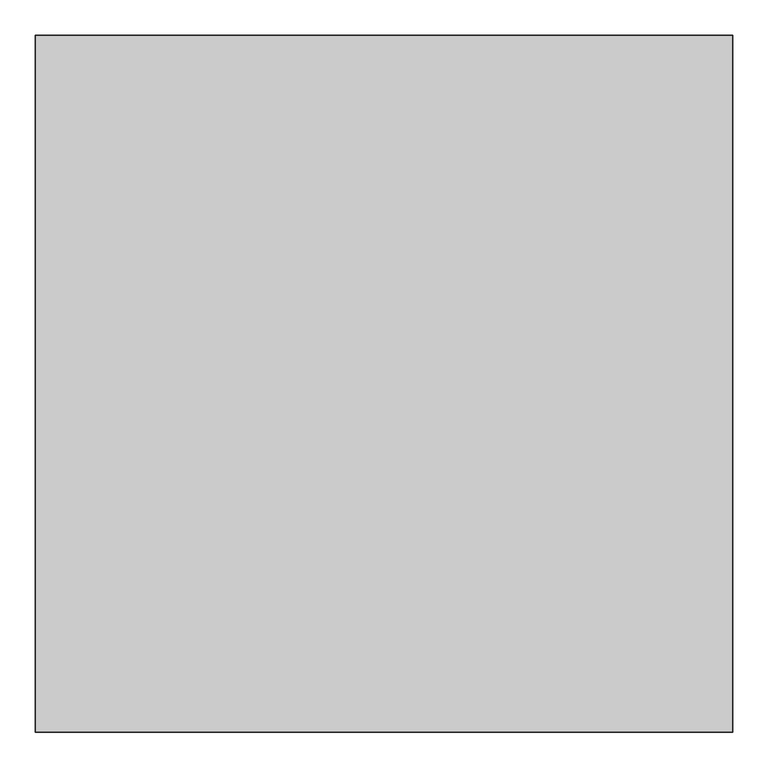
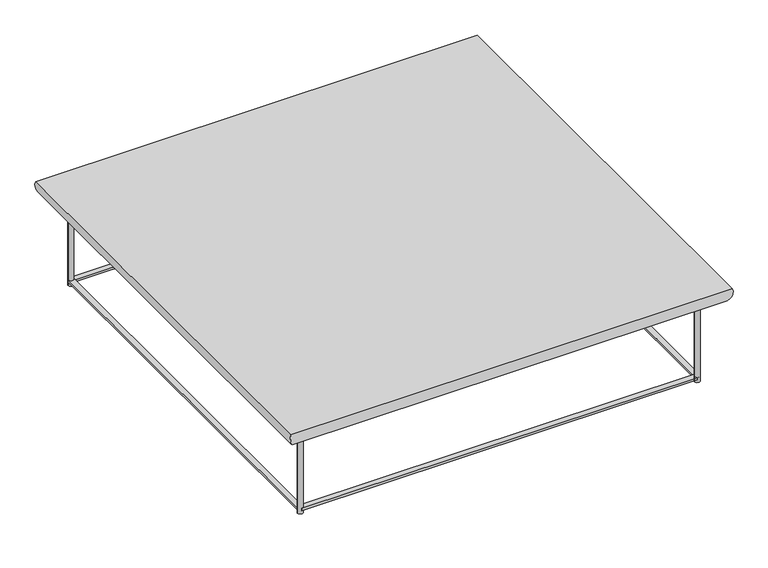
"""IFC4 building model written with IfcOpenShell, lengths in millimetres: furniture geometry."""

import ifcopenshell
import ifcopenshell.guid

model = None  # the IFC model being written
_history = None  # IfcOwnerHistory: only IFC2X3 demands one
_inside = {}  # id of a spatial element -> (the spatial element, [elements in it])
_under = {}  # id of a project, library or spatial element -> (it, [spatial elements below it])
_declared = {}  # id of a project -> (the project, [libraries it declares])
_typed = {}  # id of a type object -> (the type object, [elements of that type])
_made_of = {}  # id of a material, layer set ... -> (it, [elements and type objects made of it])


def new_model(schema):
    """Start an empty IFC model of exactly this schema.

    Asked for "IFC4X3", IfcOpenShell would pick the latest addendum, in which some entities
    have other attributes; the version numbers below select the first issue.
    IFC2X3 requires an IfcOwnerHistory on every rooted entity: one is made here for all.
    """
    global model, _history
    if schema == "IFC4X3":
        model = ifcopenshell.file(schema_version=(4, 3, 0, 0))
    else:
        model = ifcopenshell.file(schema=schema)
    _inside.clear()
    _under.clear()
    _declared.clear()
    _typed.clear()
    _made_of.clear()
    _history = None
    if model.schema == "IFC2X3":
        org = make("IfcOrganization", Name="unknown")
        user = make(
            "IfcPersonAndOrganization",
            ThePerson=make("IfcPerson", FamilyName="unknown"),
            TheOrganization=org,
        )
        app = make(
            "IfcApplication",
            ApplicationDeveloper=org,
            Version="unknown",
            ApplicationFullName="unknown",
            ApplicationIdentifier="unknown",
        )
        _history = make(
            "IfcOwnerHistory",
            OwningUser=user,
            OwningApplication=app,
            ChangeAction="ADDED",
            CreationDate=0,
        )
    return model


def make(cls, **values):
    """One entity of the class cls with the attributes given. An attribute that is None is left unset."""
    return model.create_entity(
        cls, **{name: value for name, value in values.items() if value is not None}
    )


def rooted(cls, **values):
    """An entity with a GlobalId (a new one), such as an element, a storey or a relation."""
    return make(cls, GlobalId=ifcopenshell.guid.new(), OwnerHistory=_history, **values)


def si_unit(unit_type, name, prefix=None):
    """IfcSIUnit, for example si_unit("LENGTHUNIT", "METRE", prefix="MILLI")."""
    return make("IfcSIUnit", UnitType=unit_type, Prefix=prefix, Name=name)


def assignment(units):
    """IfcUnitAssignment: the units of a project."""
    return None if units is None else make("IfcUnitAssignment", Units=units)


def point(xyz):
    """IfcCartesianPoint."""
    return None if xyz is None else make("IfcCartesianPoint", Coordinates=xyz)


def direction(xyz):
    """IfcDirection."""
    return None if xyz is None else make("IfcDirection", DirectionRatios=xyz)


def frame(location, z_axis=None, x_axis=None):
    """IfcAxis2Placement3D, a coordinate frame: its origin and axes. An axis left out is left unset."""
    return make(
        "IfcAxis2Placement3D",
        Location=point(location),
        Axis=direction(z_axis),
        RefDirection=direction(x_axis),
    )


def frame_2d(location, x_axis=None):
    """IfcAxis2Placement2D, a coordinate frame in the plane: its origin and x axis."""
    return make(
        "IfcAxis2Placement2D", Location=point(location), RefDirection=direction(x_axis)
    )


def origin():
    """The frame at (0, 0, 0) with its axes left unset."""
    return frame((0.0, 0.0, 0.0))


def origin_with_axes():
    """The frame at (0, 0, 0) with the z axis (0, 0, 1) and the x axis (1, 0, 0) written out."""
    return frame((0.0, 0.0, 0.0), z_axis=(0.0, 0.0, 1.0), x_axis=(1.0, 0.0, 0.0))


def place(relative_to, where):
    """IfcLocalPlacement: puts the frame where relative to a parent placement (None: the world)."""
    return make(
        "IfcLocalPlacement", PlacementRelTo=relative_to, RelativePlacement=where
    )


def context(
    kind, dimensions, precision=None, world=None, true_north=None, identifier=None
):
    """IfcGeometricRepresentationContext, for example the 3D "Model" context."""
    return make(
        "IfcGeometricRepresentationContext",
        ContextIdentifier=identifier,
        ContextType=kind,
        CoordinateSpaceDimension=dimensions,
        Precision=precision,
        WorldCoordinateSystem=world,
        TrueNorth=true_north,
    )


def project(units=None, contexts=None):
    """IfcProject with its units and contexts."""
    return rooted(
        "IfcProject",
        Name="project",
        RepresentationContexts=contexts,
        UnitsInContext=assignment(units),
    )


def spatial(cls, under=None, at=None, **own):
    """A site, building, storey or space (cls), placed at a placement, below another one or the project."""
    s = rooted(cls, ObjectPlacement=at, **own)
    if under is not None:
        _under.setdefault(under.id(), (under, []))[1].append(s)
    return s


def polyline(points):
    """IfcPolyline through the points."""
    return make("IfcPolyline", Points=[point(p) for p in points])


def circle_curve(where, radius):
    """IfcCircle in the frame where."""
    return make("IfcCircle", Position=where, Radius=radius)


def ellipse_curve(where, semi_axis1, semi_axis2):
    """IfcEllipse in the frame where."""
    return make(
        "IfcEllipse", Position=where, SemiAxis1=semi_axis1, SemiAxis2=semi_axis2
    )


def trimmed(basis, trim1, trim2, sense, master):
    """IfcTrimmedCurve: the piece of a basis curve between two trims."""
    return make(
        "IfcTrimmedCurve",
        BasisCurve=basis,
        Trim1=trim1,
        Trim2=trim2,
        SenseAgreement=sense,
        MasterRepresentation=master,
    )


def segment(curve, same_sense, transition):
    """IfcCompositeCurveSegment."""
    return make(
        "IfcCompositeCurveSegment",
        Transition=transition,
        SameSense=same_sense,
        ParentCurve=curve,
    )


def composite_curve(segments, self_intersect=None):
    """IfcCompositeCurve: segments joined end to end."""
    return make("IfcCompositeCurve", Segments=segments, SelfIntersect=self_intersect)


def outline(outer, holes=None, kind="AREA"):
    """IfcArbitraryClosedProfileDef: a profile drawn as a closed curve; with holes, ...WithVoids."""
    if holes is None:
        return make("IfcArbitraryClosedProfileDef", ProfileType=kind, OuterCurve=outer)
    return make(
        "IfcArbitraryProfileDefWithVoids",
        ProfileType=kind,
        OuterCurve=outer,
        InnerCurves=holes,
    )


def extrude(swept, where, along, depth):
    """IfcExtrudedAreaSolid: the profile swept, set in the frame where, extruded along a direction by depth."""
    return make(
        "IfcExtrudedAreaSolid",
        SweptArea=swept,
        Position=where,
        ExtrudedDirection=direction(along),
        Depth=depth,
    )


def shape(context_of_items, identifier, shape_type, items):
    """IfcShapeRepresentation: the items that make up one representation, for example the "Body"."""
    return make(
        "IfcShapeRepresentation",
        ContextOfItems=context_of_items,
        RepresentationIdentifier=identifier,
        RepresentationType=shape_type,
        Items=items,
    )


def source(mapping_origin, context_of_items, identifier, shape_type, items):
    """IfcRepresentationMap: a shape defined once, which mapped items show again and again."""
    return make(
        "IfcRepresentationMap",
        MappingOrigin=mapping_origin,
        MappedRepresentation=shape(context_of_items, identifier, shape_type, items),
    )


def transform(
    local_origin,
    x_axis=None,
    y_axis=None,
    z_axis=None,
    scale=None,
    scale2=None,
    scale3=None,
    uniform=True,
):
    """IfcCartesianTransformationOperator3D, or its non-uniform kind. x_axis, y_axis, z_axis: its Axis1, 2, 3."""
    if uniform:
        return make(
            "IfcCartesianTransformationOperator3D",
            Axis1=direction(x_axis),
            Axis2=direction(y_axis),
            LocalOrigin=point(local_origin),
            Scale=scale,
            Axis3=direction(z_axis),
        )
    return make(
        "IfcCartesianTransformationOperator3DnonUniform",
        Axis1=direction(x_axis),
        Axis2=direction(y_axis),
        LocalOrigin=point(local_origin),
        Scale=scale,
        Axis3=direction(z_axis),
        Scale2=scale2,
        Scale3=scale3,
    )


def mapped(mapping_source, mapping_target):
    """IfcMappedItem: shows the shape of a source again, moved by a transform."""
    return make(
        "IfcMappedItem", MappingSource=mapping_source, MappingTarget=mapping_target
    )


def made_of(thing, what):
    """Note that an element or type object is made of a material, layer set ...; save() writes the relation."""
    if what is not None:
        _made_of.setdefault(what.id(), (what, []))[1].append(thing)
    return thing


def element(
    cls,
    number,
    at=None,
    inside=None,
    cuts=None,
    type_object=None,
    material=None,
    context=None,
    identifier="Body",
    shape_type=None,
    held_by="IfcProductDefinitionShape",
    body=None,
    shapes=None,
    **own,
):
    """One element of the class cls, such as IfcWall. Its Tag is "e" and its number.

    at: its placement. inside: the storey or other place that contains it. cuts: it is an
    opening in that element (IfcRelVoidsElement). A single representation is given by context,
    identifier, shape_type and body (its items); several are given by shapes. held_by: the class
    of the entity that holds the representations. save() writes the other relations.
    """
    e = rooted(cls, Tag="e%d" % number, ObjectPlacement=at, **own)
    if body is not None:
        shapes = [shape(context, identifier, shape_type, body)]
    if shapes is not None:
        e.Representation = make(held_by, Representations=shapes)
    if inside is not None:
        _inside.setdefault(inside.id(), (inside, []))[1].append(e)
    if cuts is not None:
        rooted(
            "IfcRelVoidsElement", RelatingBuildingElement=cuts, RelatedOpeningElement=e
        )
    if type_object is not None:
        _typed.setdefault(type_object.id(), (type_object, []))[1].append(e)
    return made_of(e, material)


def aggregate(whole, parts):
    """IfcRelAggregates: a whole, such as a stair, and the parts it consists of."""
    return rooted("IfcRelAggregates", RelatingObject=whole, RelatedObjects=parts)


def save(model, path):
    """Write the relations noted so far, then the file.

    IfcRelAggregates (storeys below a building ...), IfcRelContainedInSpatialStructure (elements
    in a storey), IfcRelDefinesByType, IfcRelAssociatesMaterial and IfcRelDeclares: one each for
    every whole, place, type object, material and project.
    """
    for whole, parts in _under.values():
        aggregate(whole, parts)
    for where, things in _inside.values():
        rooted(
            "IfcRelContainedInSpatialStructure",
            RelatedElements=things,
            RelatingStructure=where,
        )
    for kind, things in _typed.values():
        rooted("IfcRelDefinesByType", RelatedObjects=things, RelatingType=kind)
    for what, things in _made_of.values():
        rooted("IfcRelAssociatesMaterial", RelatedObjects=things, RelatingMaterial=what)
    for by, libraries in _declared.values():
        rooted("IfcRelDeclares", RelatingContext=by, RelatedDefinitions=libraries)
    model.write(path)


def plane_surface(at):
    """IfcPlane: the flat surface through the origin of the frame at, square to its z axis."""
    return make("IfcPlane", Position=at)


def cylinder_surface(at, radius):
    """IfcCylindricalSurface: all points at the distance radius from the z axis of the frame at."""
    return make("IfcCylindricalSurface", Position=at, Radius=radius)


def advanced_brep(points, edges, surfaces, faces):
    """IfcAdvancedBrep: a solid bounded by faces that lie on surfaces and meet in shared edges.

    An edge is (start, end): straight between two places in points (the first is 0);
    or (start, end, curve); or (start, end, curve, False) where it runs against its curve.
    A face is (place in surfaces, loops), or (place, loops, False) where it looks against
    its surface's normal. A loop lists edges by number (the first is 1), with a minus sign
    where the edge is run from its end to its start. The first loop is the outer one.
    """
    corners = [point(p) for p in points]
    vertices = [make("IfcVertexPoint", VertexGeometry=c) for c in corners]
    made = []
    for start, end, *more in edges:
        made.append(
            make(
                "IfcEdgeCurve",
                EdgeStart=vertices[start],
                EdgeEnd=vertices[end],
                EdgeGeometry=more[0] if more else make("IfcPolyline", Points=[corners[start], corners[end]]),
                SameSense=more[1] if len(more) > 1 else True,
            )
        )
    hull = []
    for where, loops, *sense in faces:
        bounds = []
        for j, loop in enumerate(loops):
            ring = [make("IfcOrientedEdge", EdgeElement=made[abs(k) - 1], Orientation=k > 0) for k in loop]
            bounds.append(
                make(
                    "IfcFaceOuterBound" if j == 0 else "IfcFaceBound",
                    Bound=make("IfcEdgeLoop", EdgeList=ring),
                    Orientation=True,
                )
            )
        hull.append(make("IfcAdvancedFace", Bounds=bounds, FaceSurface=surfaces[where], SameSense=sense[0] if sense else True))
    return make("IfcAdvancedBrep", Outer=make("IfcClosedShell", CfsFaces=hull))


def furniture_1f36acfc(model_context):
    return source(origin(), model_context, "Body", "SolidModel", [
        advanced_brep(
        [(465.10956, 465.11718, 191.14008), (495.3, 495.30762, 231.14), (495.3, -495.30762, 231.14), (465.10956, -465.11718, 191.14008), (-495.3, -495.30762, 231.14), (-465.10956, -465.11718, 191.14008), (-495.3, 495.30762, 231.14), (-465.10956, 465.11718, 191.14008)],
        [
            (0, 1, ellipse_curve(frame((465.10956, 465.11718, 222.5333461), z_axis=(0.7071067811865475, -0.7071067811865475, 0.0), x_axis=(0.7071067811865474, 0.7071067811865476, 0.0)), 44.3967827, 31.3932661)),
            (1, 2),
            (2, 3, ellipse_curve(frame((465.10956, -465.11718, 222.5333461), z_axis=(0.7071067811865475, 0.7071067811865475, 0.0), x_axis=(-0.7071067811865474, 0.7071067811865476, 0.0)), 44.3967827, 31.3932661)),
            (3, 0),
            (2, 4),
            (4, 5, ellipse_curve(frame((-465.10956, -465.11718, 222.5333461), z_axis=(0.7071067811865475, -0.7071067811865475, 0.0), x_axis=(0.7071067811865476, 0.7071067811865474, 0.0)), 44.3967827, 31.3932661)),
            (5, 3),
            (4, 6),
            (6, 7, ellipse_curve(frame((-465.10956, 465.11718, 222.5333461), z_axis=(-0.7071067811865475, -0.7071067811865475, 0.0), x_axis=(0.7071067811865474, -0.7071067811865476, 0.0)), 44.3967827, 31.3932661)),
            (7, 5),
            (1, 6),
            (0, 7),
        ],
        [
            cylinder_surface(frame((465.10956, 445.32042, 222.5333461), z_axis=(0.0, 1.0, 0.0), x_axis=(1.0, 0.0, 0.0)), 31.3932661),
            cylinder_surface(frame((445.3128, -465.11718, 222.5333461), z_axis=(1.0, 0.0, 0.0), x_axis=(0.0, -1.0, 0.0)), 31.3932661),
            cylinder_surface(frame((-465.10956, -445.32042, 222.5333461), z_axis=(0.0, -1.0, 0.0), x_axis=(-1.0, 0.0, 0.0)), 31.3932661),
            plane_surface(frame((-445.3128, 445.32042, 231.14), z_axis=(0.0, 0.0, 1.0), x_axis=(1.0, 0.0, 0.0))),
            cylinder_surface(frame((-445.3128, 465.11718, 222.5333461), z_axis=(-1.0, 0.0, 0.0), x_axis=(0.0, 1.0, 0.0)), 31.3932661),
            plane_surface(frame((-465.10956, 465.11718, 191.14008), z_axis=(0.0, 0.0, -1.0), x_axis=(1.0, 0.0, 0.0))),
        ],
        [
            (0, [[1, 2, 3, 4]]),
            (1, [[-3, 5, 6, 7]]),
            (2, [[-6, 8, 9, 10]]),
            (3, [[-2, 11, -8, -5]]),
            (4, [[-1, 12, -9, -11]]),
            (5, [[-4, -7, -10, -12]]),
        ],
    ),
        advanced_brep(
        [(-439.31332, -445.32042, 12.50061), (-451.31228, -445.32042, 12.50061), (-451.31228, -445.32042, 7.49935), (-439.31332, -445.32042, 7.49935), (-439.31332, 445.32042, 191.14008), (-451.31228, 445.32042, 191.14008), (-439.31332, 445.32042, 0.0), (-451.31228, 445.32042, 0.0), (-439.31332, 445.32042, 12.50061), (-451.31228, 445.32042, 12.50061), (-451.31228, 445.32042, 7.49935), (-439.31332, 445.32042, 7.49935)],
        [
            (0, 1),
            (1, 2),
            (2, 3),
            (3, 0),
            (4, 5, circle_curve(frame((-445.3128, 445.32042, 191.14008), z_axis=(0.0, 0.0, 1.0), x_axis=(1.0, 0.0, 0.0)), 5.99948)),
            (5, 4, circle_curve(frame((-445.3128, 445.32042, 191.14008), z_axis=(0.0, 0.0, 1.0), x_axis=(1.0, 0.0, 0.0)), 5.99948)),
            (6, 7, circle_curve(frame((-445.3128, 445.32042, 0.0), z_axis=(0.0, 0.0, -1.0), x_axis=(1.0, 0.0, 0.0)), 5.99948)),
            (7, 6, circle_curve(frame((-445.3128, 445.32042, 0.0), z_axis=(0.0, 0.0, -1.0), x_axis=(1.0, 0.0, 0.0)), 5.99948)),
            (0, 8),
            (8, 9, circle_curve(frame((-445.3128, 445.32042, 12.50061), z_axis=(0.0, 0.0, -1.0), x_axis=(1.0, 0.0, 0.0)), 5.99948)),
            (9, 1),
            (9, 10),
            (10, 2),
            (10, 11, circle_curve(frame((-445.3128, 445.32042, 7.49935), z_axis=(0.0, 0.0, 1.0), x_axis=(1.0, 0.0, 0.0)), 5.99948)),
            (11, 3),
            (11, 8),
            (4, 8),
            (11, 6),
            (7, 10),
            (9, 5),
        ],
        [
            plane_surface(frame((-439.31332, -445.32042, 12.50061), z_axis=(0.0, -1.0, 0.0), x_axis=(-1.0, 0.0, 0.0))),
            plane_surface(frame((-439.31332, 445.32042, 191.14008), z_axis=(0.0, 0.0, 1.0), x_axis=(0.0, 1.0, 0.0))),
            plane_surface(frame((-439.31332, 445.32042, 0.0), z_axis=(0.0, 0.0, -1.0), x_axis=(0.0, -1.0, 0.0))),
            plane_surface(frame((-439.31332, -445.32042, 12.50061), z_axis=(0.0, 0.0, 1.0), x_axis=(0.0, 1.0, 0.0))),
            plane_surface(frame((-451.31228, -445.32042, 12.50061), z_axis=(-1.0, 0.0, 0.0), x_axis=(0.0, 1.0, 0.0))),
            plane_surface(frame((-451.31228, -445.32042, 7.49935), z_axis=(0.0, 0.0, -1.0), x_axis=(0.0, 1.0, 0.0))),
            plane_surface(frame((-439.31332, -445.32042, 7.49935), z_axis=(1.0, 0.0, 0.0), x_axis=(0.0, 1.0, 0.0))),
            cylinder_surface(frame((-445.3128, 445.32042, 0.0), z_axis=(0.0, 0.0, 1.0), x_axis=(1.0, 0.0, 0.0)), 5.99948),
        ],
        [
            (0, [[1, 2, 3, 4]]),
            (1, [[5, 6]]),
            (2, [[7, 8]]),
            (3, [[-1, 9, 10, 11]]),
            (4, [[-2, -11, 12, 13]]),
            (5, [[-3, -13, 14, 15]]),
            (6, [[-4, -15, 16, -9]]),
            (7, [[-5, 17, -16, 18, -8, 19, -12, 20]]),
            (7, [[-6, -20, -10, -17]]),
            (7, [[-7, -18, -14, -19]]),
        ],
    ),
        advanced_brep(
        [(451.31228, 445.32042, 191.14008), (439.31332, 445.32042, 191.14008), (451.31228, 445.32042, 0.0), (439.31332, 445.32042, 0.0)],
        [
            (0, 1, circle_curve(frame((445.3128, 445.32042, 191.14008), z_axis=(0.0, 0.0, 1.0), x_axis=(1.0, 0.0, 0.0)), 5.99948)),
            (1, 0, circle_curve(frame((445.3128, 445.32042, 191.14008), z_axis=(0.0, 0.0, 1.0), x_axis=(1.0, 0.0, 0.0)), 5.99948)),
            (2, 3, circle_curve(frame((445.3128, 445.32042, 0.0), z_axis=(0.0, 0.0, -1.0), x_axis=(1.0, 0.0, 0.0)), 5.99948)),
            (3, 2, circle_curve(frame((445.3128, 445.32042, 0.0), z_axis=(0.0, 0.0, -1.0), x_axis=(1.0, 0.0, 0.0)), 5.99948)),
            (0, 2),
            (3, 1),
        ],
        [
            plane_surface(frame((451.31228, 445.32042, 191.14008), z_axis=(0.0, 0.0, 1.0), x_axis=(0.0, 1.0, 0.0))),
            plane_surface(frame((451.31228, 445.32042, 0.0), z_axis=(0.0, 0.0, -1.0), x_axis=(0.0, -1.0, 0.0))),
            cylinder_surface(frame((445.3128, 445.32042, 0.0), z_axis=(0.0, 0.0, 1.0), x_axis=(1.0, 0.0, 0.0)), 5.99948),
        ],
        [
            (0, [[1, 2]]),
            (1, [[3, 4]]),
            (2, [[-1, 5, -4, 6]]),
            (2, [[-2, -6, -3, -5]]),
        ],
    ),
        advanced_brep(
        [(451.31228, -445.32042, 191.14008), (439.31332, -445.32042, 191.14008), (451.31228, -445.32042, 0.0), (439.31332, -445.32042, 0.0)],
        [
            (0, 1, circle_curve(frame((445.3128, -445.32042, 191.14008), z_axis=(0.0, 0.0, 1.0), x_axis=(1.0, 0.0, 0.0)), 5.99948)),
            (1, 0, circle_curve(frame((445.3128, -445.32042, 191.14008), z_axis=(0.0, 0.0, 1.0), x_axis=(1.0, 0.0, 0.0)), 5.99948)),
            (2, 3, circle_curve(frame((445.3128, -445.32042, 0.0), z_axis=(0.0, 0.0, -1.0), x_axis=(1.0, 0.0, 0.0)), 5.99948)),
            (3, 2, circle_curve(frame((445.3128, -445.32042, 0.0), z_axis=(0.0, 0.0, -1.0), x_axis=(1.0, 0.0, 0.0)), 5.99948)),
            (0, 2),
            (3, 1),
        ],
        [
            plane_surface(frame((451.31228, -445.32042, 191.14008), z_axis=(0.0, 0.0, 1.0), x_axis=(0.0, 1.0, 0.0))),
            plane_surface(frame((451.31228, -445.32042, 0.0), z_axis=(0.0, 0.0, -1.0), x_axis=(0.0, -1.0, 0.0))),
            cylinder_surface(frame((445.3128, -445.32042, 0.0), z_axis=(0.0, 0.0, 1.0), x_axis=(1.0, 0.0, 0.0)), 5.99948),
        ],
        [
            (0, [[1, 2]]),
            (1, [[3, 4]]),
            (2, [[-1, 5, -4, 6]]),
            (2, [[-2, -6, -3, -5]]),
        ],
    ),
        extrude(outline(polyline([(445.3128, -439.32094), (445.3128, -451.3199), (-445.3128, -451.3199), (-445.3128, -439.32094), (445.3128, -439.32094)])), frame((0.0, 0.0, 7.49935), z_axis=(0.0, 0.0, 1.0), x_axis=(1.0, 0.0, 0.0)), (0.0, 0.0, 1.0), 5.00126),
        extrude(outline(polyline([(445.3128, 451.3199), (445.3128, 439.32094), (-445.3128, 439.32094), (-445.3128, 451.3199), (445.3128, 451.3199)])), frame((0.0, 0.0, 7.49935), z_axis=(0.0, 0.0, 1.0), x_axis=(1.0, 0.0, 0.0)), (0.0, 0.0, 1.0), 5.00126),
        extrude(outline(polyline([(451.31228, -445.32042), (439.31332, -445.32042), (439.31332, 445.32042), (451.31228, 445.32042), (451.31228, -445.32042)])), frame((0.0, 0.0, 7.49935), z_axis=(0.0, 0.0, 1.0), x_axis=(1.0, 0.0, 0.0)), (0.0, 0.0, 1.0), 5.00126),
        extrude(outline(composite_curve([segment(trimmed(circle_curve(frame_2d((-445.3128, -445.32042)), 5.99948), [point((-439.31332, -445.32042))], [point((-451.31228, -445.32042))], False, "CARTESIAN"), True, "CONTINUOUS"), segment(trimmed(circle_curve(frame_2d((-445.3128, -445.32042)), 5.99948), [point((-451.31228, -445.32042))], [point((-439.31332, -445.32042))], False, "CARTESIAN"), True, "CONTINUOUS")], self_intersect=False)), origin_with_axes(), (0.0, 0.0, 1.0), 191.14008),
    ])


if __name__ == "__main__":
    model = new_model("IFC4")
    model_context = context("Model", 3, world=origin())
    ifc_project = project(units=[si_unit("LENGTHUNIT", "METRE", prefix="MILLI")], contexts=[model_context])
    site = spatial("IfcSite", under=ifc_project)
    building = spatial("IfcBuilding", under=site)
    placement = place(None, origin())
    furniture_shape = furniture_1f36acfc(model_context)
    element("IfcFurniture", 1, at=placement, inside=building, context=model_context, shape_type="MappedRepresentation", body=[
        mapped(furniture_shape, transform((0.0, 0.0, 0.0), x_axis=(1.0, 0.0, 0.0), y_axis=(0.0, 1.0, 0.0), z_axis=(0.0, 0.0, 1.0))),
    ])
    save(model, "model.ifc")
